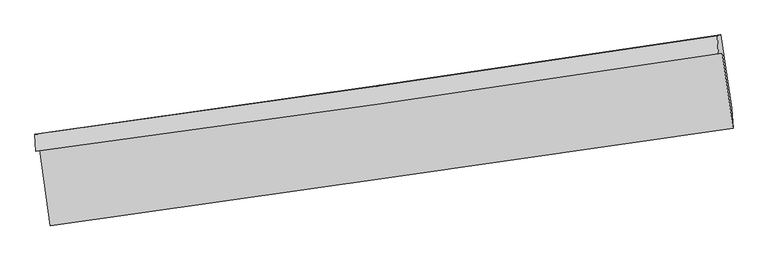
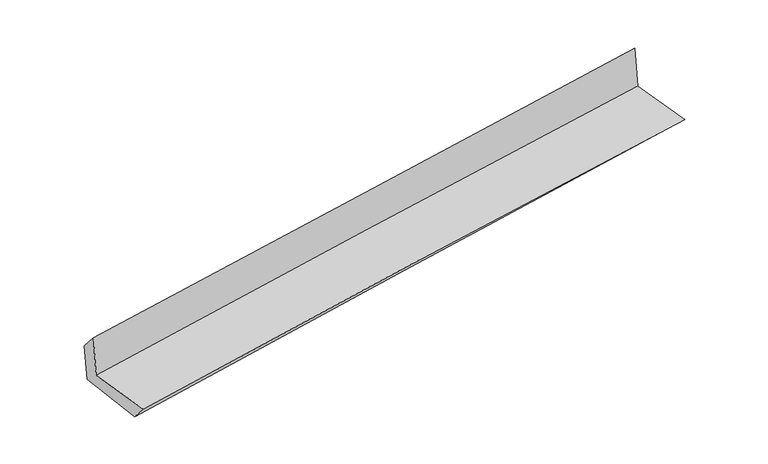
"""IFC4 building model written with IfcOpenShell, lengths in millimetres: proxy geometry."""

import ifcopenshell
import ifcopenshell.guid

model = None  # the IFC model being written
_history = None  # IfcOwnerHistory: only IFC2X3 demands one
_inside = {}  # id of a spatial element -> (the spatial element, [elements in it])
_under = {}  # id of a project, library or spatial element -> (it, [spatial elements below it])
_declared = {}  # id of a project -> (the project, [libraries it declares])
_typed = {}  # id of a type object -> (the type object, [elements of that type])
_made_of = {}  # id of a material, layer set ... -> (it, [elements and type objects made of it])


def new_model(schema):
    """Start an empty IFC model of exactly this schema.

    Asked for "IFC4X3", IfcOpenShell would pick the latest addendum, in which some entities
    have other attributes; the version numbers below select the first issue.
    IFC2X3 requires an IfcOwnerHistory on every rooted entity: one is made here for all.
    """
    global model, _history
    if schema == "IFC4X3":
        model = ifcopenshell.file(schema_version=(4, 3, 0, 0))
    else:
        model = ifcopenshell.file(schema=schema)
    _inside.clear()
    _under.clear()
    _declared.clear()
    _typed.clear()
    _made_of.clear()
    _history = None
    if model.schema == "IFC2X3":
        org = make("IfcOrganization", Name="unknown")
        user = make(
            "IfcPersonAndOrganization",
            ThePerson=make("IfcPerson", FamilyName="unknown"),
            TheOrganization=org,
        )
        app = make(
            "IfcApplication",
            ApplicationDeveloper=org,
            Version="unknown",
            ApplicationFullName="unknown",
            ApplicationIdentifier="unknown",
        )
        _history = make(
            "IfcOwnerHistory",
            OwningUser=user,
            OwningApplication=app,
            ChangeAction="ADDED",
            CreationDate=0,
        )
    return model


def make(cls, **values):
    """One entity of the class cls with the attributes given. An attribute that is None is left unset."""
    return model.create_entity(
        cls, **{name: value for name, value in values.items() if value is not None}
    )


def rooted(cls, **values):
    """An entity with a GlobalId (a new one), such as an element, a storey or a relation."""
    return make(cls, GlobalId=ifcopenshell.guid.new(), OwnerHistory=_history, **values)


def si_unit(unit_type, name, prefix=None):
    """IfcSIUnit, for example si_unit("LENGTHUNIT", "METRE", prefix="MILLI")."""
    return make("IfcSIUnit", UnitType=unit_type, Prefix=prefix, Name=name)


def assignment(units):
    """IfcUnitAssignment: the units of a project."""
    return None if units is None else make("IfcUnitAssignment", Units=units)


def point(xyz):
    """IfcCartesianPoint."""
    return None if xyz is None else make("IfcCartesianPoint", Coordinates=xyz)


def direction(xyz):
    """IfcDirection."""
    return None if xyz is None else make("IfcDirection", DirectionRatios=xyz)


def frame(location, z_axis=None, x_axis=None):
    """IfcAxis2Placement3D, a coordinate frame: its origin and axes. An axis left out is left unset."""
    return make(
        "IfcAxis2Placement3D",
        Location=point(location),
        Axis=direction(z_axis),
        RefDirection=direction(x_axis),
    )


def origin():
    """The frame at (0, 0, 0) with its axes left unset."""
    return frame((0.0, 0.0, 0.0))


def place(relative_to, where):
    """IfcLocalPlacement: puts the frame where relative to a parent placement (None: the world)."""
    return make(
        "IfcLocalPlacement", PlacementRelTo=relative_to, RelativePlacement=where
    )


def context(
    kind, dimensions, precision=None, world=None, true_north=None, identifier=None
):
    """IfcGeometricRepresentationContext, for example the 3D "Model" context."""
    return make(
        "IfcGeometricRepresentationContext",
        ContextIdentifier=identifier,
        ContextType=kind,
        CoordinateSpaceDimension=dimensions,
        Precision=precision,
        WorldCoordinateSystem=world,
        TrueNorth=true_north,
    )


def project(units=None, contexts=None):
    """IfcProject with its units and contexts."""
    return rooted(
        "IfcProject",
        Name="project",
        RepresentationContexts=contexts,
        UnitsInContext=assignment(units),
    )


def spatial(cls, under=None, at=None, **own):
    """A site, building, storey or space (cls), placed at a placement, below another one or the project."""
    s = rooted(cls, ObjectPlacement=at, **own)
    if under is not None:
        _under.setdefault(under.id(), (under, []))[1].append(s)
    return s


def shape(context_of_items, identifier, shape_type, items):
    """IfcShapeRepresentation: the items that make up one representation, for example the "Body"."""
    return make(
        "IfcShapeRepresentation",
        ContextOfItems=context_of_items,
        RepresentationIdentifier=identifier,
        RepresentationType=shape_type,
        Items=items,
    )


def source(mapping_origin, context_of_items, identifier, shape_type, items):
    """IfcRepresentationMap: a shape defined once, which mapped items show again and again."""
    return make(
        "IfcRepresentationMap",
        MappingOrigin=mapping_origin,
        MappedRepresentation=shape(context_of_items, identifier, shape_type, items),
    )


def transform(
    local_origin,
    x_axis=None,
    y_axis=None,
    z_axis=None,
    scale=None,
    scale2=None,
    scale3=None,
    uniform=True,
):
    """IfcCartesianTransformationOperator3D, or its non-uniform kind. x_axis, y_axis, z_axis: its Axis1, 2, 3."""
    if uniform:
        return make(
            "IfcCartesianTransformationOperator3D",
            Axis1=direction(x_axis),
            Axis2=direction(y_axis),
            LocalOrigin=point(local_origin),
            Scale=scale,
            Axis3=direction(z_axis),
        )
    return make(
        "IfcCartesianTransformationOperator3DnonUniform",
        Axis1=direction(x_axis),
        Axis2=direction(y_axis),
        LocalOrigin=point(local_origin),
        Scale=scale,
        Axis3=direction(z_axis),
        Scale2=scale2,
        Scale3=scale3,
    )


def mapped(mapping_source, mapping_target):
    """IfcMappedItem: shows the shape of a source again, moved by a transform."""
    return make(
        "IfcMappedItem", MappingSource=mapping_source, MappingTarget=mapping_target
    )


def made_of(thing, what):
    """Note that an element or type object is made of a material, layer set ...; save() writes the relation."""
    if what is not None:
        _made_of.setdefault(what.id(), (what, []))[1].append(thing)
    return thing


def element(
    cls,
    number,
    at=None,
    inside=None,
    cuts=None,
    type_object=None,
    material=None,
    context=None,
    identifier="Body",
    shape_type=None,
    held_by="IfcProductDefinitionShape",
    body=None,
    shapes=None,
    **own,
):
    """One element of the class cls, such as IfcWall. Its Tag is "e" and its number.

    at: its placement. inside: the storey or other place that contains it. cuts: it is an
    opening in that element (IfcRelVoidsElement). A single representation is given by context,
    identifier, shape_type and body (its items); several are given by shapes. held_by: the class
    of the entity that holds the representations. save() writes the other relations.
    """
    e = rooted(cls, Tag="e%d" % number, ObjectPlacement=at, **own)
    if body is not None:
        shapes = [shape(context, identifier, shape_type, body)]
    if shapes is not None:
        e.Representation = make(held_by, Representations=shapes)
    if inside is not None:
        _inside.setdefault(inside.id(), (inside, []))[1].append(e)
    if cuts is not None:
        rooted(
            "IfcRelVoidsElement", RelatingBuildingElement=cuts, RelatedOpeningElement=e
        )
    if type_object is not None:
        _typed.setdefault(type_object.id(), (type_object, []))[1].append(e)
    return made_of(e, material)


def aggregate(whole, parts):
    """IfcRelAggregates: a whole, such as a stair, and the parts it consists of."""
    return rooted("IfcRelAggregates", RelatingObject=whole, RelatedObjects=parts)


def save(model, path):
    """Write the relations noted so far, then the file.

    IfcRelAggregates (storeys below a building ...), IfcRelContainedInSpatialStructure (elements
    in a storey), IfcRelDefinesByType, IfcRelAssociatesMaterial and IfcRelDeclares: one each for
    every whole, place, type object, material and project.
    """
    for whole, parts in _under.values():
        aggregate(whole, parts)
    for where, things in _inside.values():
        rooted(
            "IfcRelContainedInSpatialStructure",
            RelatedElements=things,
            RelatingStructure=where,
        )
    for kind, things in _typed.values():
        rooted("IfcRelDefinesByType", RelatedObjects=things, RelatingType=kind)
    for what, things in _made_of.values():
        rooted("IfcRelAssociatesMaterial", RelatedObjects=things, RelatingMaterial=what)
    for by, libraries in _declared.values():
        rooted("IfcRelDeclares", RelatingContext=by, RelatedDefinitions=libraries)
    model.write(path)


def plane_surface(at):
    """IfcPlane: the flat surface through the origin of the frame at, square to its z axis."""
    return make("IfcPlane", Position=at)


def spline_curve(degree, points, multiplicities, knots, weights=None):
    """IfcBSplineCurveWithKnots; with weights, IfcRationalBSplineCurveWithKnots."""
    own = dict(
        Degree=degree,
        ControlPointsList=[point(p) for p in points],
        CurveForm="UNSPECIFIED",
        ClosedCurve=False,
        SelfIntersect=False,
        KnotMultiplicities=multiplicities,
        Knots=knots,
        KnotSpec="UNSPECIFIED",
    )
    if weights is None:
        return make("IfcBSplineCurveWithKnots", **own)
    return make("IfcRationalBSplineCurveWithKnots", WeightsData=weights, **own)


def spline_surface(u_degree, v_degree, points, u_multiplicities, v_multiplicities, u_knots, v_knots, weights=None):
    """IfcBSplineSurfaceWithKnots; with weights, IfcRationalBSplineSurfaceWithKnots. points: one row for each step in u."""
    own = dict(
        UDegree=u_degree,
        VDegree=v_degree,
        ControlPointsList=[[point(p) for p in row] for row in points],
        SurfaceForm="UNSPECIFIED",
        UClosed=False,
        VClosed=False,
        SelfIntersect=False,
        UMultiplicities=u_multiplicities,
        VMultiplicities=v_multiplicities,
        UKnots=u_knots,
        VKnots=v_knots,
        KnotSpec="UNSPECIFIED",
    )
    if weights is None:
        return make("IfcBSplineSurfaceWithKnots", **own)
    return make("IfcRationalBSplineSurfaceWithKnots", WeightsData=weights, **own)


def advanced_brep(points, edges, surfaces, faces):
    """IfcAdvancedBrep: a solid bounded by faces that lie on surfaces and meet in shared edges.

    An edge is (start, end): straight between two places in points (the first is 0);
    or (start, end, curve); or (start, end, curve, False) where it runs against its curve.
    A face is (place in surfaces, loops), or (place, loops, False) where it looks against
    its surface's normal. A loop lists edges by number (the first is 1), with a minus sign
    where the edge is run from its end to its start. The first loop is the outer one.
    """
    corners = [point(p) for p in points]
    vertices = [make("IfcVertexPoint", VertexGeometry=c) for c in corners]
    made = []
    for start, end, *more in edges:
        made.append(
            make(
                "IfcEdgeCurve",
                EdgeStart=vertices[start],
                EdgeEnd=vertices[end],
                EdgeGeometry=more[0] if more else make("IfcPolyline", Points=[corners[start], corners[end]]),
                SameSense=more[1] if len(more) > 1 else True,
            )
        )
    hull = []
    for where, loops, *sense in faces:
        bounds = []
        for j, loop in enumerate(loops):
            ring = [make("IfcOrientedEdge", EdgeElement=made[abs(k) - 1], Orientation=k > 0) for k in loop]
            bounds.append(
                make(
                    "IfcFaceOuterBound" if j == 0 else "IfcFaceBound",
                    Bound=make("IfcEdgeLoop", EdgeList=ring),
                    Orientation=True,
                )
            )
        hull.append(make("IfcAdvancedFace", Bounds=bounds, FaceSurface=surfaces[where], SameSense=sense[0] if sense else True))
    return make("IfcAdvancedBrep", Outer=make("IfcClosedShell", CfsFaces=hull))


def generic_models_b62fbf8f(model_context):
    return source(origin(), model_context, "Body", "AdvancedBrep", [
        advanced_brep(
        [(-2992.9597825, -1922.5942802, 1645.0669885), (-2897.9980999, -2584.997319, 1650.4432069), (3041.5401001, -1738.5477672, 2146.3230514), (2947.5158141, -1082.8892866, 2141.3529734), (-3026.5013747, -1934.9218591, 2065.7745591), (2913.3893276, -1088.1398467, 2556.8848625), (-3033.0693767, -1788.3332797, 1892.4906042), (2903.3663958, -930.106126, 2405.1187348), (-3002.913192, -1782.1324535, 1522.6233722), (2933.6597252, -924.4541469, 2034.5595407), (-2904.934656, -2442.3862475, 1488.3743484), (3030.1190133, -1563.7282624, 1982.4102406)],
        [
            (0, 1),
            (1, 2, spline_curve(3, [(-2897.9980999, -2584.997319, 1650.4432069), (-1909.104017062, -2444.217827915, 1745.846892153), (-919.695173814, -2303.290578913, 1834.872075557), (1060.150894328, -2021.140727877, 2000.16534211), (2050.588117627, -1879.918126153, 2076.433440603), (3041.5401001, -1738.5477672, 2146.3230514)], [4, 2, 4], [0.0, 9.87556096411409, 19.751110560615103])),
            (2, 3),
            (3, 0, spline_curve(3, [(2947.5158141, -1082.8892866, 2141.3529734), (1957.040977365, -1227.485081031, 2071.313841186), (966.76421101, -1369.758355606, 1994.937137018), (-1013.394321676, -1649.66002529, 1829.50848977), (-2003.276087334, -1787.28841556, 1740.456532279), (-2992.9597825, -1922.5942802, 1645.0669885)], [4, 2, 4], [0.0, 9.875549596501013, 19.751110560615103])),
            (4, 0),
            (3, 5),
            (5, 4, spline_curve(3, [(2913.3893276, -1088.1398467, 2556.8848625), (1924.29719893, -1240.694544471, 2484.030847416), (934.76052797, -1387.537023629, 2406.678007665), (-1045.203038725, -1669.797707825, 2242.974583316), (-2035.629934993, -1805.215899322, 2156.623988927), (-3026.5013747, -1934.9218591, 2065.7745591)], [4, 2, 4], [0.0, 9.875568247692835, 19.751147863020215])),
            (6, 4),
            (5, 7),
            (7, 6, spline_curve(3, [(2903.3663958, -930.106126, 2405.1187348), (1914.517357935, -1080.627309326, 2325.879765225), (925.39014263, -1227.406791322, 2243.541296175), (-1053.421780722, -1513.482517726, 2072.665259679), (-2043.106489914, -1652.778753794, 1984.127685498), (-3033.0693767, -1788.3332797, 1892.4906042)], [4, 2, 4], [0.0, 9.875505270988429, 19.751021909538913])),
            (8, 6),
            (7, 9),
            (9, 8, spline_curve(3, [(2933.6597252, -924.4541469, 2034.5595407), (1945.267089083, -1074.592959524, 1949.227715657), (956.356646289, -1221.135519159, 1863.90048029), (-1022.500991407, -1507.028295984, 1693.255091096), (-2012.448187911, -1646.378505478, 1607.93693667), (-3002.913192, -1782.1324535, 1522.6233722)], [4, 2, 4], [0.0, 9.875442283112775, 19.7508959337151])),
            (10, 8),
            (9, 11),
            (11, 10, spline_curve(3, [(3030.1190133, -1563.7282624, 1982.4102406), (2040.513738456, -1711.066309933, 1906.717969066), (1051.123579873, -1857.956790674, 1827.702201282), (-927.2276435, -2150.842786694, 1663.023578138), (-1916.188707966, -2296.83830103, 1577.360715233), (-2904.934656, -2442.3862475, 1488.3743484)], [4, 2, 4], [0.0, 9.875387998696128, 19.75078736481932])),
            (1, 10),
            (11, 2),
        ],
        [
            spline_surface(3, 3, [[(-2992.9597825, -1922.5942802, 1645.0669885), (-2003.276087363, -1787.288415473, 1740.456532338), (-1013.394321658, -1649.660025381, 1829.508489881), (966.764210992, -1369.758355515, 1994.937136908), (1957.040977498, -1227.485081045, 2071.313841031), (2947.5158141, -1082.8892866, 2141.3529734)], [(-2961.305888319, -2143.395293138, 1646.859061285), (-1971.885397238, -2006.264886255, 1742.253318965), (-982.161272308, -1867.536876554, 1831.296351738), (997.893105415, -1586.885813, 1996.679872025), (1988.223357524, -1444.962762781, 2073.02037421), (2978.857242767, -1301.442113465, 2143.009666061)], [(-2929.651994081, -2364.196306062, 1648.651134115), (-1940.494707054, -2225.241357024, 1744.050105635), (-950.928223027, -2085.413727687, 1833.084213573), (1029.021999767, -1804.013270444, 1998.42260712), (2019.405737549, -1662.440444521, 2074.726907406), (3010.198671433, -1519.994940335, 2144.666358739)], [(-2897.9980999, -2584.997319, 1650.4432069), (-1909.104016929, -2444.217827805, 1745.846892262), (-919.695173676, -2303.29057886, 1834.872075429), (1060.15089419, -2021.140727929, 2000.165342237), (2050.588117575, -1879.918126256, 2076.433440585), (3041.5401001, -1738.5477672, 2146.3230514)]], [4, 4], [4, 2, 4], [0.0, 2.162725601396321], [0.0, 9.87556096411409, 19.751110560615103]),
            spline_surface(3, 3, [[(-3026.5013747, -1934.9218591, 2065.7745591), (-2035.62993499, -1805.215899263, 2156.62398896), (-1045.203038579, -1669.797707698, 2242.974583426), (934.760527825, -1387.537023755, 2406.678007556), (1924.29719886, -1240.694544505, 2484.030847516), (2913.3893276, -1088.1398467, 2556.8848625)], [(-3015.320843971, -1930.812666129, 1925.538702245), (-2024.845319119, -1799.240071329, 2017.901503431), (-1034.60013294, -1663.085146902, 2105.152552218), (945.428422213, -1381.610800985, 2269.431050646), (1935.211791736, -1236.291390022, 2346.458511996), (2924.764823097, -1086.389660003, 2418.374232775)], [(-3004.140313229, -1926.703473171, 1785.302845355), (-2014.060703234, -1793.264243407, 1879.179017867), (-1023.997227297, -1656.372586177, 1967.33052109), (956.096316604, -1375.684578285, 2132.184093817), (1946.126384622, -1231.888235529, 2208.886176551), (2936.140318603, -1084.639473297, 2279.863603125)], [(-2992.9597825, -1922.5942802, 1645.0669885), (-2003.276087363, -1787.288415473, 1740.456532338), (-1013.394321659, -1649.660025381, 1829.508489881), (966.764210992, -1369.758355515, 1994.937136908), (1957.040977498, -1227.485081045, 2071.313841031), (2947.5158141, -1082.8892866, 2141.3529734)]], [4, 4], [4, 2, 4], [0.0, 1.3591512445787293], [0.0, 9.87557961532738, 19.751147863020215]),
            spline_surface(3, 3, [[(-3033.0693767, -1788.3332797, 1892.4906042), (-2043.106489806, -1652.778753645, 1984.127685433), (-1053.421780812, -1513.482517776, 2072.665259725), (925.39014272, -1227.406791273, 2243.541296128), (1914.517357881, -1080.62730922, 2325.879765359), (2903.3663958, -930.106126, 2405.1187348)], [(-3030.880042678, -1837.196139503, 1950.251922512), (-2040.614304846, -1703.591135521, 2041.626453287), (-1050.682200087, -1565.587581085, 2129.435034317), (928.513604403, -1280.783535435, 2297.920199962), (1917.777304884, -1133.983054316, 2378.596792771), (2906.707373077, -982.7840329, 2455.70744406)], [(-3028.690708722, -1886.058999297, 2008.013240788), (-2038.122119951, -1754.403517387, 2099.125221106), (-1047.942619304, -1617.692644389, 2186.204808835), (931.637066143, -1334.160279592, 2352.299103722), (1921.037251857, -1187.33879941, 2431.313820104), (2910.048350323, -1035.4619398, 2506.29615324)], [(-3026.5013747, -1934.9218591, 2065.7745591), (-2035.62993499, -1805.215899263, 2156.62398896), (-1045.203038579, -1669.797707698, 2242.974583426), (934.760527825, -1387.537023755, 2406.678007556), (1924.29719886, -1240.694544505, 2484.030847516), (2913.3893276, -1088.1398467, 2556.8848625)]], [4, 4], [4, 2, 4], [0.0, 0.7546526278287554], [0.0, 9.875516638550485, 19.751021909538913]),
            spline_surface(3, 3, [[(-3002.913192, -1782.1324535, 1522.6233722), (-2012.448187819, -1646.378505526, 1607.936936772), (-1022.500991493, -1507.028296149, 1693.255090932), (956.356646376, -1221.135518995, 1863.900480455), (1945.267089127, -1074.592959522, 1949.22771577), (2933.6597252, -924.4541469, 2034.5595407)], [(-3012.965253581, -1784.199395549, 1645.912449535), (-2022.667621829, -1648.511921548, 1733.333852994), (-1032.807921248, -1509.179703368, 1819.725147182), (946.034478509, -1223.225943098, 1990.447418998), (1935.017178709, -1076.604409421, 2074.778398961), (2923.561948731, -926.338139933, 2158.079272061)], [(-3023.017315119, -1786.266337651, 1769.201526865), (-2032.887055797, -1650.645337623, 1858.730769211), (-1043.114851057, -1511.331110556, 1946.195203475), (935.712310587, -1225.316367169, 2116.994357585), (1924.767268299, -1078.615859321, 2200.329082168), (2913.464172269, -928.222132967, 2281.599003439)], [(-3033.0693767, -1788.3332797, 1892.4906042), (-2043.106489806, -1652.778753645, 1984.127685433), (-1053.421780812, -1513.482517776, 2072.665259725), (925.39014272, -1227.406791273, 2243.541296128), (1914.517357881, -1080.62730922, 2325.879765359), (2903.3663958, -930.106126, 2405.1187348)]], [4, 4], [4, 2, 4], [0.0, 1.2494685499434155], [0.0, 9.875453650602324, 19.7508959337151]),
            spline_surface(3, 3, [[(-2904.934656, -2442.3862475, 1488.3743484), (-1916.18870812, -2296.838301045, 1577.360715255), (-927.227643622, -2150.842786726, 1663.023578173), (1051.123579996, -1857.956790642, 1827.702201248), (2040.513738553, -1711.066309968, 1906.717969078), (3030.1190133, -1563.7282624, 1982.4102406)], [(-2937.594167986, -2222.301649497, 1499.790689651), (-1948.275201338, -2080.018369202, 1587.552789079), (-958.985426246, -1936.237956544, 1673.100749106), (1019.534602123, -1645.683033437, 1839.76829433), (2008.764855397, -1498.908526496, 1920.887884646), (2997.965917253, -1350.636890577, 1999.793340637)], [(-2970.253680014, -2002.217051503, 1511.207030949), (-1980.3616946, -1863.198437369, 1597.744862948), (-990.74320887, -1721.633126331, 1683.177919999), (987.945624249, -1433.4092762, 1851.834387372), (1977.015972283, -1286.750742994, 1935.057800202), (2965.812821247, -1137.545518723, 2017.176440663)], [(-3002.913192, -1782.1324535, 1522.6233722), (-2012.448187819, -1646.378505526, 1607.936936772), (-1022.500991493, -1507.028296149, 1693.255090932), (956.356646376, -1221.135518995, 1863.900480455), (1945.267089127, -1074.592959522, 1949.22771577), (2933.6597252, -924.4541469, 2034.5595407)]], [4, 4], [4, 2, 4], [0.0, 2.1265792013858684], [0.0, 9.875399366123192, 19.75078736481932]),
            spline_surface(3, 3, [[(-2897.9980999, -2584.997319, 1650.4432069), (-1909.104016929, -2444.217827805, 1745.846892262), (-919.695173676, -2303.29057886, 1834.872075429), (1060.15089419, -2021.140727929, 2000.165342237), (2050.588117575, -1879.918126256, 2076.433440585), (3041.5401001, -1738.5477672, 2146.3230514)], [(-2900.310285265, -2537.460295184, 1596.420254072), (-1911.465580657, -2395.091318902, 1689.684833265), (-922.205997013, -2252.474648136, 1777.589243007), (1057.141789438, -1966.746082154, 1942.677628571), (2047.229991245, -1823.634187481, 2019.861616755), (3037.733071177, -1680.274598921, 2091.685447805)], [(-2902.622470635, -2489.923271316, 1542.397301228), (-1913.827144391, -2345.964809948, 1633.522774253), (-924.716820286, -2201.658717451, 1720.306410595), (1054.132684748, -1912.351436417, 1885.189914914), (2043.871864883, -1767.350248743, 1963.289792909), (3033.926042223, -1622.001430679, 2037.047844195)], [(-2904.934656, -2442.3862475, 1488.3743484), (-1916.18870812, -2296.838301045, 1577.360715255), (-927.227643622, -2150.842786726, 1663.023578173), (1051.123579996, -1857.956790642, 1827.702201248), (2040.513738553, -1711.066309968, 1906.717969078), (3030.1190133, -1563.7282624, 1982.4102406)]], [4, 4], [4, 2, 4], [0.0, 0.7667065764917717], [0.0, 9.875480123316738, 19.75094887911345]),
            plane_surface(frame((2961.598396, -1221.310906, 2211.1082339), z_axis=(0.9863857197587251, 0.14207969575727172, 0.0828044196259041), x_axis=(-0.08146908642430914, -0.015200097933929535, 0.9965599555370401))),
            plane_surface(frame((-2976.3960803, -2075.8942398, 1710.7955132), z_axis=(-0.9863857197585941, -0.14207969575848392, -0.08280441962538601), x_axis=(-0.14190396137794517, 0.9898478283088583, -0.008033837033675462))),
        ],
        [
            (0, [[1, 2, 3, 4]]),
            (1, [[5, -4, 6, 7]]),
            (2, [[8, -7, 9, 10]]),
            (3, [[11, -10, 12, 13]]),
            (4, [[14, -13, 15, 16]]),
            (5, [[17, -16, 18, -2]]),
            (6, [[-12, -9, -6, -3, -18, -15]]),
            (7, [[-1, -5, -8, -11, -14, -17]]),
        ],
    ),
    ])


if __name__ == "__main__":
    model = new_model("IFC4")
    model_context = context("Model", 3, world=origin())
    ifc_project = project(units=[si_unit("LENGTHUNIT", "METRE", prefix="MILLI")], contexts=[model_context])
    site = spatial("IfcSite", under=ifc_project)
    building = spatial("IfcBuilding", under=site)
    placement = place(None, origin())
    generic_models_shape = generic_models_b62fbf8f(model_context)
    element("IfcBuildingElementProxy", 1, Name="Generic Models", at=placement, inside=building, context=model_context, shape_type="MappedRepresentation", body=[
        mapped(generic_models_shape, transform((0.0, 0.0, 0.0), x_axis=(1.0, 0.0, 0.0), y_axis=(0.0, 1.0, 0.0), z_axis=(0.0, 0.0, 1.0))),
    ])
    save(model, "model.ifc")
